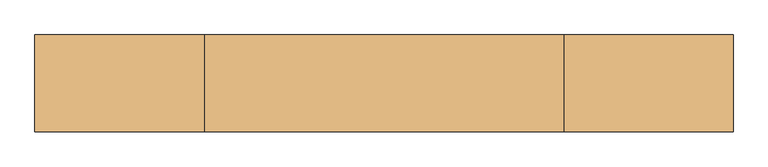
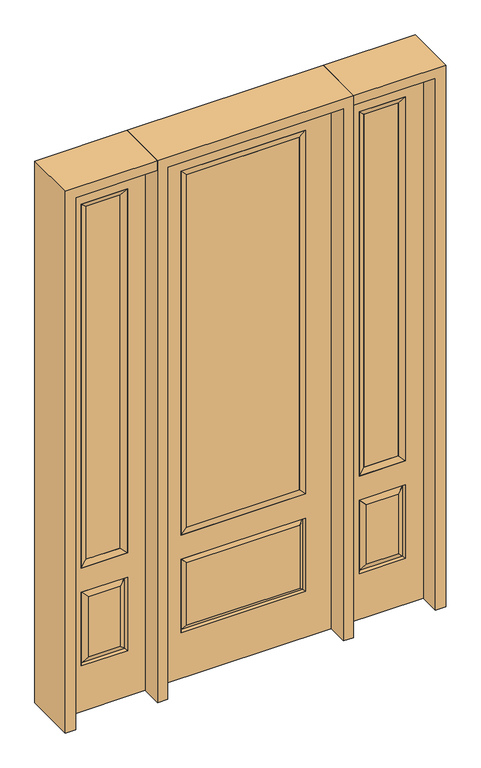
"""IFC4 building model written with IfcOpenShell, lengths in millimetres: door geometry."""

from ifc_helpers import new_model, si_unit, frame, origin, place, context, project, spatial, polyline, outline, extrude, faceted_brep, source, transform, mapped, element, save


def door_937351da(model_context):
    return source(origin(), model_context, "Body", "SolidModel", [
        faceted_brep([(425.45, -22.225, 0.0), (781.05, -22.225, 0.0), (781.05, -22.225, 2438.4), (425.45, -22.225, 2438.4), (703.58, -22.225, 2325.624), (703.58, -22.225, 657.098), (502.92, -22.225, 657.098), (502.92, -22.225, 2325.624), (703.58, -22.225, 209.55), (502.92, -22.225, 209.55), (502.92, -22.225, 546.1), (703.58, -22.225, 546.1), (534.6351001, -22.225, 241.2651001), (671.8648999, -22.225, 241.2651001), (671.8648999, -22.225, 514.3848999), (534.6351001, -22.225, 514.3848999), (425.45, 22.225, 0.0), (425.45, 22.225, 2438.4), (781.05, 22.225, 2438.4), (781.05, 22.225, 0.0), (703.58, 22.225, 2325.624), (502.92, 22.225, 2325.624), (502.92, 22.225, 657.098), (703.58, 22.225, 657.098), (502.92, 22.225, 209.55), (703.58, 22.225, 209.55), (703.58, 22.225, 546.1), (502.92, 22.225, 546.1), (671.8648999, 22.225, 241.2651001), (534.6351001, 22.225, 241.2651001), (534.6351001, 22.225, 514.3848999), (671.8648999, 22.225, 514.3848999), (696.4711499, 12.7912373, 216.6588501), (510.0288501, 12.7912373, 216.6588501), (510.0288501, 12.7912373, 538.9911499), (696.4711499, 12.7912373, 538.9911499), (510.0288501, -12.7912373, 216.6588501), (696.4711499, -12.7912373, 216.6588501), (510.0288501, -12.7912373, 538.9911499), (696.4711499, -12.7912373, 538.9911499)], [[[0, 1, 2, 3], [4, 5, 6, 7], [8, 9, 10, 11]], [[12, 13, 14, 15]], [[16, 17, 18, 19], [20, 21, 22, 23], [24, 25, 26, 27]], [[28, 29, 30, 31]], [[1, 0, 16, 19]], [[2, 1, 19, 18]], [[3, 2, 18, 17]], [[0, 3, 17, 16]], [[5, 4, 20, 23]], [[6, 5, 23, 22]], [[7, 6, 22, 21]], [[4, 7, 21, 20]], [[32, 33, 29, 28]], [[33, 32, 25, 24]], [[29, 33, 34, 30]], [[33, 24, 27, 34]], [[30, 34, 35, 31]], [[34, 27, 26, 35]], [[32, 28, 31, 35]], [[25, 32, 35, 26]], [[12, 36, 37, 13]], [[37, 36, 9, 8]], [[36, 12, 15, 38]], [[9, 36, 38, 10]], [[38, 15, 14, 39]], [[10, 38, 39, 11]], [[13, 37, 39, 14]], [[37, 8, 11, 39]]]),
        faceted_brep([(502.92, 22.225, 2325.624), (502.92, -22.225, 2325.624), (703.58, -22.225, 2325.624), (703.58, 22.225, 2325.624), (528.32, 12.7, 2300.224), (678.18, 12.7, 2300.224), (528.32, -12.7, 2300.224), (678.18, -12.7, 2300.224), (703.58, -22.225, 657.098), (703.58, 22.225, 657.098), (678.18, 12.7, 682.498), (678.18, -12.7, 682.498), (502.92, -22.225, 657.098), (502.92, 22.225, 657.098), (528.32, 12.7, 682.498), (528.32, -12.7, 682.498)], [[[0, 1, 2, 3]], [[4, 0, 3, 5]], [[6, 4, 5, 7]], [[1, 6, 7, 2]], [[3, 2, 8, 9]], [[5, 3, 9, 10]], [[7, 5, 10, 11]], [[2, 7, 11, 8]], [[9, 8, 12, 13]], [[10, 9, 13, 14]], [[11, 10, 14, 15]], [[8, 11, 15, 12]], [[13, 12, 1, 0]], [[14, 13, 0, 4]], [[15, 14, 4, 6]], [[12, 15, 6, 1]]]),
        extrude(outline(polyline([(678.18, -12.7), (528.32, -12.7), (528.32, 12.7), (678.18, 12.7), (678.18, -12.7)])), frame((0.0, 0.0, 682.498), z_axis=(0.0, 0.0, 1.0), x_axis=(1.0, 0.0, 0.0)), (0.0, 0.0, 1.0), 1617.726),
        faceted_brep([(-781.05, -22.225, 0.0), (-425.45, -22.225, 0.0), (-425.45, -22.225, 2438.4), (-781.05, -22.225, 2438.4), (-502.92, -22.225, 2325.624), (-502.92, -22.225, 657.098), (-703.58, -22.225, 657.098), (-703.58, -22.225, 2325.624), (-502.92, -22.225, 209.55), (-703.58, -22.225, 209.55), (-703.58, -22.225, 546.1), (-502.92, -22.225, 546.1), (-671.8648999, -22.225, 241.2651001), (-534.6351001, -22.225, 241.2651001), (-534.6351001, -22.225, 514.3848999), (-671.8648999, -22.225, 514.3848999), (-781.05, 22.225, 0.0), (-781.05, 22.225, 2438.4), (-425.45, 22.225, 2438.4), (-425.45, 22.225, 0.0), (-502.92, 22.225, 2325.624), (-703.58, 22.225, 2325.624), (-703.58, 22.225, 657.098), (-502.92, 22.225, 657.098), (-703.58, 22.225, 209.55), (-502.92, 22.225, 209.55), (-502.92, 22.225, 546.1), (-703.58, 22.225, 546.1), (-534.6351001, 22.225, 241.2651001), (-671.8648999, 22.225, 241.2651001), (-671.8648999, 22.225, 514.3848999), (-534.6351001, 22.225, 514.3848999), (-510.0288501, 12.7912373, 216.6588501), (-696.4711499, 12.7912373, 216.6588501), (-696.4711499, 12.7912373, 538.9911499), (-510.0288501, 12.7912373, 538.9911499), (-696.4711499, -12.7912373, 216.6588501), (-510.0288501, -12.7912373, 216.6588501), (-696.4711499, -12.7912373, 538.9911499), (-510.0288501, -12.7912373, 538.9911499)], [[[0, 1, 2, 3], [4, 5, 6, 7], [8, 9, 10, 11]], [[12, 13, 14, 15]], [[16, 17, 18, 19], [20, 21, 22, 23], [24, 25, 26, 27]], [[28, 29, 30, 31]], [[1, 0, 16, 19]], [[2, 1, 19, 18]], [[3, 2, 18, 17]], [[0, 3, 17, 16]], [[5, 4, 20, 23]], [[6, 5, 23, 22]], [[7, 6, 22, 21]], [[4, 7, 21, 20]], [[32, 33, 29, 28]], [[33, 32, 25, 24]], [[29, 33, 34, 30]], [[33, 24, 27, 34]], [[30, 34, 35, 31]], [[34, 27, 26, 35]], [[32, 28, 31, 35]], [[25, 32, 35, 26]], [[12, 36, 37, 13]], [[37, 36, 9, 8]], [[36, 12, 15, 38]], [[9, 36, 38, 10]], [[38, 15, 14, 39]], [[10, 38, 39, 11]], [[13, 37, 39, 14]], [[37, 8, 11, 39]]]),
        faceted_brep([(-703.58, 22.225, 2325.624), (-703.58, -22.225, 2325.624), (-502.92, -22.225, 2325.624), (-502.92, 22.225, 2325.624), (-678.18, 12.7, 2300.224), (-528.32, 12.7, 2300.224), (-678.18, -12.7, 2300.224), (-528.32, -12.7, 2300.224), (-502.92, -22.225, 657.098), (-502.92, 22.225, 657.098), (-528.32, 12.7, 682.498), (-528.32, -12.7, 682.498), (-703.58, -22.225, 657.098), (-703.58, 22.225, 657.098), (-678.18, 12.7, 682.498), (-678.18, -12.7, 682.498)], [[[0, 1, 2, 3]], [[4, 0, 3, 5]], [[6, 4, 5, 7]], [[1, 6, 7, 2]], [[3, 2, 8, 9]], [[5, 3, 9, 10]], [[7, 5, 10, 11]], [[2, 7, 11, 8]], [[9, 8, 12, 13]], [[10, 9, 13, 14]], [[11, 10, 14, 15]], [[8, 11, 15, 12]], [[13, 12, 1, 0]], [[14, 13, 0, 4]], [[15, 14, 4, 6]], [[12, 15, 6, 1]]]),
        extrude(outline(polyline([(-528.32, -12.7), (-678.18, -12.7), (-678.18, 12.7), (-528.32, 12.7), (-528.32, -12.7)])), frame((0.0, 0.0, 682.498), z_axis=(0.0, 0.0, 1.0), x_axis=(1.0, 0.0, 0.0)), (0.0, 0.0, 1.0), 1617.726),
        extrude(outline(polyline([(244.475, -20.32), (-244.475, -20.32), (-244.475, 5.08), (244.475, 5.08), (244.475, -20.32)])), frame((0.0, 0.0, 682.498), z_axis=(0.0, 0.0, 1.0), x_axis=(1.0, 0.0, 0.0)), (0.0, 0.0, 1.0), 1616.202),
        faceted_brep([(-262.7661499, -12.7912373, 216.6588501), (262.7661499, -12.7912373, 216.6588501), (245.26875, -22.225, 234.15625), (-245.26875, -22.225, 234.15625), (-269.875, -22.225, 209.55), (269.875, -22.225, 209.55), (-262.7661499, -12.7912373, 538.9911499), (-269.875, -22.225, 546.1), (245.26875, -22.225, 521.49375), (-245.26875, -22.225, 521.49375), (381.0, -22.225, 2438.4), (-381.0, -22.225, 2438.4), (-381.0, -22.225, 0.0), (381.0, -22.225, 0.0), (269.875, -22.225, 546.1), (269.875, -22.225, 2324.1), (269.875, -22.225, 657.098), (-269.875, -22.225, 657.098), (-269.875, -22.225, 2324.1), (262.7661499, -12.7912373, 538.9911499), (-381.0, 22.225, 2438.4), (-381.0, 22.225, 0.0), (381.0, 22.225, 0.0), (381.0, 22.225, 2438.4), (269.875, 22.225, 2324.1), (269.875, 22.225, 657.098), (-269.875, 22.225, 657.098), (-269.875, 22.225, 2324.1), (-269.875, 22.225, 209.55), (269.875, 22.225, 209.55), (269.875, 22.225, 546.1), (-269.875, 22.225, 546.1), (245.26875, 22.225, 234.15625), (-245.26875, 22.225, 234.15625), (-245.26875, 22.225, 521.49375), (245.26875, 22.225, 521.49375), (-262.7661499, 12.7912373, 216.6588501), (262.7661499, 12.7912373, 216.6588501), (262.7661499, 12.7912373, 538.9911499), (-262.7661499, 12.7912373, 538.9911499)], [[[0, 1, 2, 3]], [[1, 0, 4, 5]], [[4, 0, 6, 7]], [[3, 2, 8, 9]], [[10, 11, 12, 13], [5, 4, 7, 14], [15, 16, 17, 18]], [[1, 5, 14, 19]], [[2, 1, 19, 8]], [[0, 3, 9, 6]], [[7, 6, 19, 14]], [[6, 9, 8, 19]], [[12, 11, 20, 21]], [[13, 12, 21, 22]], [[10, 13, 22, 23]], [[16, 15, 24, 25]], [[17, 16, 25, 26]], [[18, 17, 26, 27]], [[23, 22, 21, 20], [28, 29, 30, 31], [24, 27, 26, 25]], [[32, 33, 34, 35]], [[28, 36, 37, 29]], [[29, 37, 38, 30]], [[39, 31, 30, 38]], [[36, 28, 31, 39]], [[37, 36, 33, 32]], [[33, 36, 39, 34]], [[34, 39, 38, 35]], [[37, 32, 35, 38]], [[11, 10, 23, 20]], [[15, 18, 27, 24]]]),
        faceted_brep([(-269.875, -22.225, 2324.1), (-269.875, 22.225, 2324.1), (-269.875, 22.225, 657.098), (-269.875, -22.225, 657.098), (269.875, 22.225, 657.098), (269.875, -22.225, 657.098), (-244.475, 5.08, 682.498), (244.475, 5.08, 682.498), (269.875, 22.225, 2324.1), (269.875, -22.225, 2324.1), (-244.475, -20.32, 682.498), (244.475, -20.32, 682.498), (-244.475, -20.32, 2298.7), (244.475, -20.32, 2298.7), (-244.475, 5.08, 2298.7), (244.475, 5.08, 2298.7)], [[[0, 1, 2, 3]], [[3, 2, 4, 5]], [[2, 6, 7, 4]], [[5, 4, 8, 9]], [[10, 3, 5, 11]], [[12, 0, 3, 10]], [[11, 5, 9, 13]], [[6, 10, 11, 7]], [[14, 12, 10, 6]], [[7, 11, 13, 15]], [[1, 14, 6, 2]], [[4, 7, 15, 8]], [[9, 8, 1, 0]], [[13, 9, 0, 12]], [[15, 13, 12, 14]], [[8, 15, 14, 1]]]),
        extrude(outline(polyline([(2438.4, -425.45), (2482.85, -425.45), (2482.85, -825.5), (0.0, -825.5), (0.0, -781.05), (2438.4, -781.05), (2438.4, -425.45)])), frame((0.0, -114.3, 0.0), z_axis=(0.0, 1.0, 0.0), x_axis=(0.0, 0.0, 1.0)), (0.0, 0.0, 1.0), 228.6),
        extrude(outline(polyline([(2482.85, -425.45), (0.0, -425.45), (0.0, -381.0), (2438.4, -381.0), (2438.4, 381.0), (0.0, 381.0), (0.0, 425.45), (2482.85, 425.45), (2482.85, -425.45)])), frame((0.0, -114.3, 0.0), z_axis=(0.0, 1.0, 0.0), x_axis=(0.0, 0.0, 1.0)), (0.0, 0.0, 1.0), 228.6),
        extrude(outline(polyline([(0.0, 781.05), (0.0, 825.5), (2482.85, 825.5), (2482.85, 425.45), (2438.4, 425.45), (2438.4, 781.05), (0.0, 781.05)])), frame((0.0, -114.3, 0.0), z_axis=(0.0, 1.0, 0.0), x_axis=(0.0, 0.0, 1.0)), (0.0, 0.0, 1.0), 228.6),
    ])


if __name__ == "__main__":
    model = new_model("IFC4")
    model_context = context("Model", 3, world=origin())
    ifc_project = project(units=[si_unit("LENGTHUNIT", "METRE", prefix="MILLI")], contexts=[model_context])
    site = spatial("IfcSite", under=ifc_project)
    building = spatial("IfcBuilding", under=site)
    placement = place(None, origin())
    door_shape = door_937351da(model_context)
    element("IfcDoor", 1, at=placement, inside=building, context=model_context, shape_type="MappedRepresentation", body=[
        mapped(door_shape, transform((0.0, 0.0, 0.0), x_axis=(1.0, 0.0, 0.0), y_axis=(0.0, 1.0, 0.0), z_axis=(0.0, 0.0, 1.0))),
    ])
    save(model, "model.ifc")
